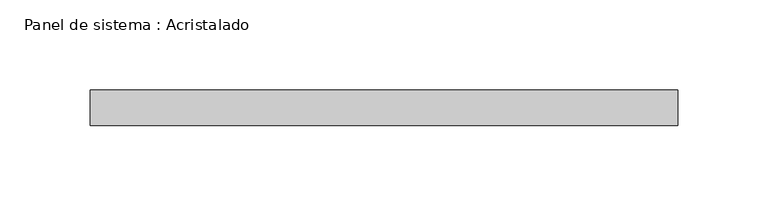
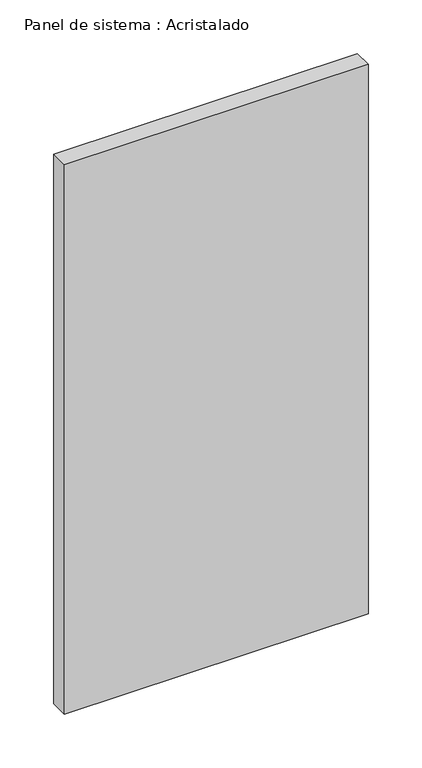
"""IFC4 building model written with IfcOpenShell, lengths in millimetres: plate geometry, Panel de sistema : Acristalado."""

from ifc_helpers import new_model, si_unit, origin, origin_with_axes, place, context, project, spatial, polyline, outline, extrude, source, transform, mapped, element, save


def panel_de_sistema_acristalado_40178ac0(model_context):
    return source(origin(), model_context, "Body", "SweptSolid", [
        extrude(outline(polyline([(163.3333333, -10.0), (-163.3333333, -10.0), (-163.3333333, 10.0), (163.3333333, 10.0), (163.3333333, -10.0)])), origin_with_axes(), (0.0, 0.0, 1.0), 625.0),
    ])


if __name__ == "__main__":
    model = new_model("IFC4")
    model_context = context("Model", 3, world=origin())
    ifc_project = project(units=[si_unit("LENGTHUNIT", "METRE", prefix="MILLI")], contexts=[model_context])
    site = spatial("IfcSite", under=ifc_project)
    building = spatial("IfcBuilding", under=site)
    placement = place(None, origin())
    panel_de_sistema_acristalado_shape = panel_de_sistema_acristalado_40178ac0(model_context)
    element("IfcPlate", 1, ObjectType="Panel de sistema : Acristalado", at=placement, inside=building, context=model_context, shape_type="MappedRepresentation", body=[
        mapped(panel_de_sistema_acristalado_shape, transform((0.0, 0.0, 0.0), x_axis=(1.0, 0.0, 0.0), y_axis=(0.0, 1.0, 0.0), z_axis=(0.0, 0.0, 1.0))),
    ])
    save(model, "model.ifc")
